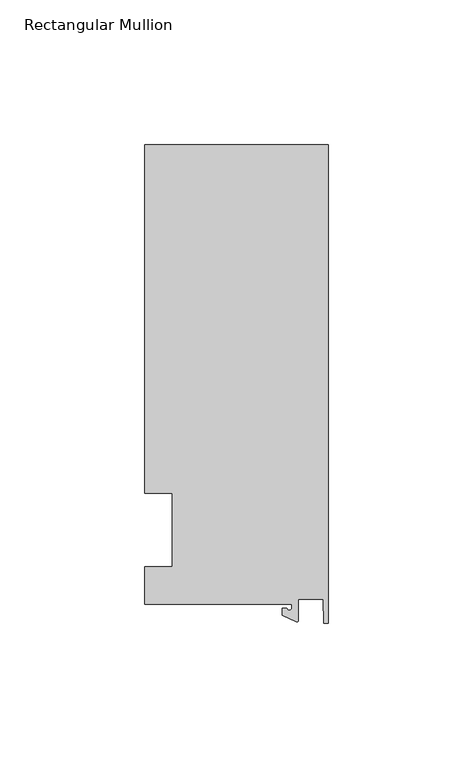
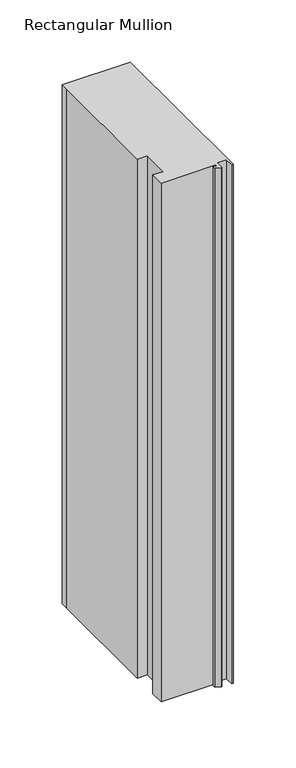
"""IFC4 building model written with IfcOpenShell, lengths in millimetres: member geometry, Rectangular Mullion."""

from ifc_helpers import new_model, si_unit, point, frame, frame_2d, origin, place, context, project, spatial, polyline, circle_curve, trimmed, segment, composite_curve, outline, extrude, source, transform, mapped, element, save


def rectangular_mullion_f94278f1(model_context):
    return source(origin(), model_context, "Body", "SweptSolid", [
        extrude(outline(composite_curve([segment(polyline([(-12.6173814, -25.796875), (-63.5, -25.796875), (-63.5, -12.7), (-53.975, -12.7), (-53.975, 12.7), (-63.5, 12.7), (-63.5, 125.8114907), (-63.5, 133.34365), (0.0, 133.34365), (0.0, -32.288874), (-1.5658966, -32.288874), (-1.7144124, -23.9227662), (-10.2297814, -23.9227662), (-10.2297814, -31.2414327)]), True, "CONTINUOUS"), segment(trimmed(circle_curve(frame_2d((-10.7377814, -31.2414327)), 0.508), [point((-10.2297814, -31.2414327))], [point((-10.9524715, -31.7018371))], False, "CARTESIAN"), True, "CONTINUOUS"), segment(polyline([(-10.9524715, -31.7018371), (-15.7923814, -29.44495), (-15.7923814, -27.0827507), (-14.2048814, -27.0827507)]), True, "CONTINUOUS"), segment(trimmed(circle_curve(frame_2d((-13.4111314, -27.0827507)), 0.79375), [point((-14.2048814, -27.0827507))], [point((-12.6173814, -27.0827507))], True, "CARTESIAN"), True, "CONTINUOUS"), segment(polyline([(-12.6173814, -27.0827507), (-12.6173814, -25.796875)]), True, "CONTINUOUS")], self_intersect=False)), frame((0.0, 0.0, -509.6488917), z_axis=(0.0, 0.0, 1.0), x_axis=(1.0, 0.0, 0.0)), (0.0, 0.0, 1.0), 509.6488917),
    ])


if __name__ == "__main__":
    model = new_model("IFC4")
    model_context = context("Model", 3, world=origin())
    ifc_project = project(units=[si_unit("LENGTHUNIT", "METRE", prefix="MILLI")], contexts=[model_context])
    site = spatial("IfcSite", under=ifc_project)
    building = spatial("IfcBuilding", under=site)
    placement = place(None, origin())
    rectangular_mullion_shape = rectangular_mullion_f94278f1(model_context)
    element("IfcMember", 1, ObjectType="Rectangular Mullion", at=placement, inside=building, context=model_context, shape_type="MappedRepresentation", body=[
        mapped(rectangular_mullion_shape, transform((0.0, 0.0, 0.0), x_axis=(1.0, 0.0, 0.0), y_axis=(0.0, 1.0, 0.0), z_axis=(0.0, 0.0, 1.0))),
    ])
    save(model, "model.ifc")
